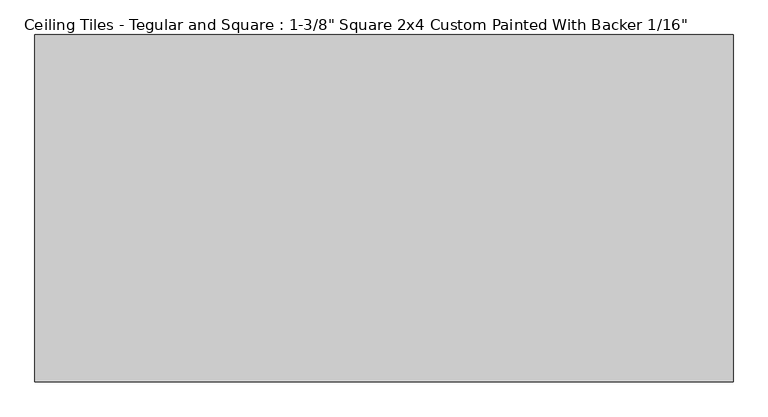
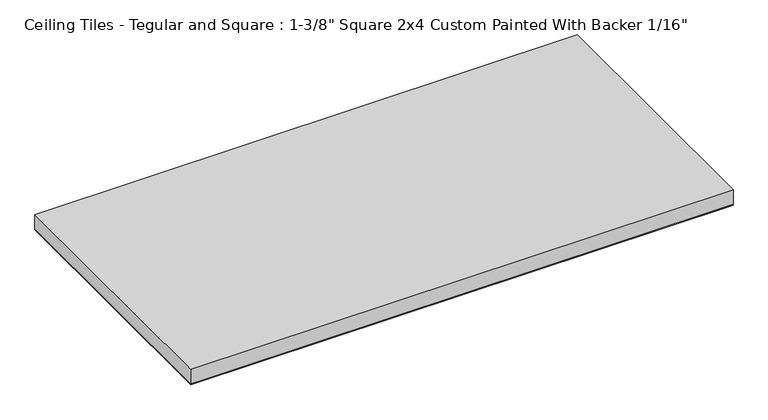
"""IFC4 building model written with IfcOpenShell, lengths in millimetres: proxy geometry."""

from ifc_helpers import new_model, si_unit, frame, origin, origin_with_axes, place, context, project, spatial, polyline, outline, extrude, source, transform, mapped, element, save


def proxy_4903bea1(model_context):
    return source(origin(), model_context, "Body", "SweptSolid", [
        extrude(outline(polyline([(606.425, 301.625), (606.425, -301.625), (-606.425, -301.625), (-606.425, 301.625), (606.425, 301.625)])), origin_with_axes(), (0.0, 0.0, 1.0), 1.5875),
        extrude(outline(polyline([(-606.425, 301.625), (606.425, 301.625), (606.425, -301.625), (-606.425, -301.625), (-606.425, 301.625)])), frame((0.0, 0.0, 1.5875), z_axis=(0.0, 0.0, 1.0), x_axis=(1.0, 0.0, 0.0)), (0.0, 0.0, 1.0), 34.925),
    ])


if __name__ == "__main__":
    model = new_model("IFC4")
    model_context = context("Model", 3, world=origin())
    ifc_project = project(units=[si_unit("LENGTHUNIT", "METRE", prefix="MILLI")], contexts=[model_context])
    site = spatial("IfcSite", under=ifc_project)
    building = spatial("IfcBuilding", under=site)
    placement = place(None, origin())
    proxy_shape = proxy_4903bea1(model_context)
    element("IfcBuildingElementProxy", 1, Name="Ceiling Tiles - Tegular and Square : 1-3/8\" Square 2x4 Custom Painted With Backer 1/16\"", ObjectType="Ceiling Tiles - Tegular and Square : 1-3/8\" Square 2x4 Custom Painted With Backer 1/16\"", at=placement, inside=building, context=model_context, shape_type="MappedRepresentation", body=[
        mapped(proxy_shape, transform((0.0, 0.0, 0.0), x_axis=(1.0, 0.0, 0.0), y_axis=(0.0, 1.0, 0.0), z_axis=(0.0, 0.0, 1.0))),
    ])
    save(model, "model.ifc")
